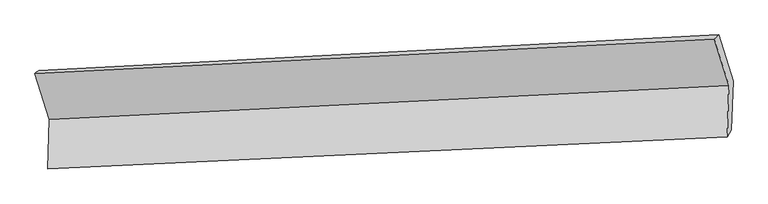
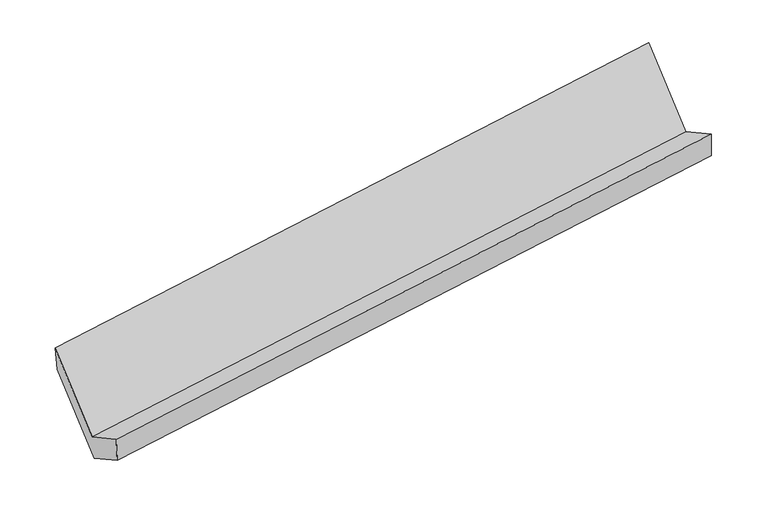
"""IFC4 building model written with IfcOpenShell, lengths in millimetres: proxy geometry."""

import ifcopenshell
import ifcopenshell.guid

model = None  # the IFC model being written
_history = None  # IfcOwnerHistory: only IFC2X3 demands one
_inside = {}  # id of a spatial element -> (the spatial element, [elements in it])
_under = {}  # id of a project, library or spatial element -> (it, [spatial elements below it])
_declared = {}  # id of a project -> (the project, [libraries it declares])
_typed = {}  # id of a type object -> (the type object, [elements of that type])
_made_of = {}  # id of a material, layer set ... -> (it, [elements and type objects made of it])


def new_model(schema):
    """Start an empty IFC model of exactly this schema.

    Asked for "IFC4X3", IfcOpenShell would pick the latest addendum, in which some entities
    have other attributes; the version numbers below select the first issue.
    IFC2X3 requires an IfcOwnerHistory on every rooted entity: one is made here for all.
    """
    global model, _history
    if schema == "IFC4X3":
        model = ifcopenshell.file(schema_version=(4, 3, 0, 0))
    else:
        model = ifcopenshell.file(schema=schema)
    _inside.clear()
    _under.clear()
    _declared.clear()
    _typed.clear()
    _made_of.clear()
    _history = None
    if model.schema == "IFC2X3":
        org = make("IfcOrganization", Name="unknown")
        user = make(
            "IfcPersonAndOrganization",
            ThePerson=make("IfcPerson", FamilyName="unknown"),
            TheOrganization=org,
        )
        app = make(
            "IfcApplication",
            ApplicationDeveloper=org,
            Version="unknown",
            ApplicationFullName="unknown",
            ApplicationIdentifier="unknown",
        )
        _history = make(
            "IfcOwnerHistory",
            OwningUser=user,
            OwningApplication=app,
            ChangeAction="ADDED",
            CreationDate=0,
        )
    return model


def make(cls, **values):
    """One entity of the class cls with the attributes given. An attribute that is None is left unset."""
    return model.create_entity(
        cls, **{name: value for name, value in values.items() if value is not None}
    )


def rooted(cls, **values):
    """An entity with a GlobalId (a new one), such as an element, a storey or a relation."""
    return make(cls, GlobalId=ifcopenshell.guid.new(), OwnerHistory=_history, **values)


def si_unit(unit_type, name, prefix=None):
    """IfcSIUnit, for example si_unit("LENGTHUNIT", "METRE", prefix="MILLI")."""
    return make("IfcSIUnit", UnitType=unit_type, Prefix=prefix, Name=name)


def assignment(units):
    """IfcUnitAssignment: the units of a project."""
    return None if units is None else make("IfcUnitAssignment", Units=units)


def point(xyz):
    """IfcCartesianPoint."""
    return None if xyz is None else make("IfcCartesianPoint", Coordinates=xyz)


def direction(xyz):
    """IfcDirection."""
    return None if xyz is None else make("IfcDirection", DirectionRatios=xyz)


def frame(location, z_axis=None, x_axis=None):
    """IfcAxis2Placement3D, a coordinate frame: its origin and axes. An axis left out is left unset."""
    return make(
        "IfcAxis2Placement3D",
        Location=point(location),
        Axis=direction(z_axis),
        RefDirection=direction(x_axis),
    )


def origin():
    """The frame at (0, 0, 0) with its axes left unset."""
    return frame((0.0, 0.0, 0.0))


def place(relative_to, where):
    """IfcLocalPlacement: puts the frame where relative to a parent placement (None: the world)."""
    return make(
        "IfcLocalPlacement", PlacementRelTo=relative_to, RelativePlacement=where
    )


def context(
    kind, dimensions, precision=None, world=None, true_north=None, identifier=None
):
    """IfcGeometricRepresentationContext, for example the 3D "Model" context."""
    return make(
        "IfcGeometricRepresentationContext",
        ContextIdentifier=identifier,
        ContextType=kind,
        CoordinateSpaceDimension=dimensions,
        Precision=precision,
        WorldCoordinateSystem=world,
        TrueNorth=true_north,
    )


def project(units=None, contexts=None):
    """IfcProject with its units and contexts."""
    return rooted(
        "IfcProject",
        Name="project",
        RepresentationContexts=contexts,
        UnitsInContext=assignment(units),
    )


def spatial(cls, under=None, at=None, **own):
    """A site, building, storey or space (cls), placed at a placement, below another one or the project."""
    s = rooted(cls, ObjectPlacement=at, **own)
    if under is not None:
        _under.setdefault(under.id(), (under, []))[1].append(s)
    return s


def shape(context_of_items, identifier, shape_type, items):
    """IfcShapeRepresentation: the items that make up one representation, for example the "Body"."""
    return make(
        "IfcShapeRepresentation",
        ContextOfItems=context_of_items,
        RepresentationIdentifier=identifier,
        RepresentationType=shape_type,
        Items=items,
    )


def source(mapping_origin, context_of_items, identifier, shape_type, items):
    """IfcRepresentationMap: a shape defined once, which mapped items show again and again."""
    return make(
        "IfcRepresentationMap",
        MappingOrigin=mapping_origin,
        MappedRepresentation=shape(context_of_items, identifier, shape_type, items),
    )


def transform(
    local_origin,
    x_axis=None,
    y_axis=None,
    z_axis=None,
    scale=None,
    scale2=None,
    scale3=None,
    uniform=True,
):
    """IfcCartesianTransformationOperator3D, or its non-uniform kind. x_axis, y_axis, z_axis: its Axis1, 2, 3."""
    if uniform:
        return make(
            "IfcCartesianTransformationOperator3D",
            Axis1=direction(x_axis),
            Axis2=direction(y_axis),
            LocalOrigin=point(local_origin),
            Scale=scale,
            Axis3=direction(z_axis),
        )
    return make(
        "IfcCartesianTransformationOperator3DnonUniform",
        Axis1=direction(x_axis),
        Axis2=direction(y_axis),
        LocalOrigin=point(local_origin),
        Scale=scale,
        Axis3=direction(z_axis),
        Scale2=scale2,
        Scale3=scale3,
    )


def mapped(mapping_source, mapping_target):
    """IfcMappedItem: shows the shape of a source again, moved by a transform."""
    return make(
        "IfcMappedItem", MappingSource=mapping_source, MappingTarget=mapping_target
    )


def made_of(thing, what):
    """Note that an element or type object is made of a material, layer set ...; save() writes the relation."""
    if what is not None:
        _made_of.setdefault(what.id(), (what, []))[1].append(thing)
    return thing


def element(
    cls,
    number,
    at=None,
    inside=None,
    cuts=None,
    type_object=None,
    material=None,
    context=None,
    identifier="Body",
    shape_type=None,
    held_by="IfcProductDefinitionShape",
    body=None,
    shapes=None,
    **own,
):
    """One element of the class cls, such as IfcWall. Its Tag is "e" and its number.

    at: its placement. inside: the storey or other place that contains it. cuts: it is an
    opening in that element (IfcRelVoidsElement). A single representation is given by context,
    identifier, shape_type and body (its items); several are given by shapes. held_by: the class
    of the entity that holds the representations. save() writes the other relations.
    """
    e = rooted(cls, Tag="e%d" % number, ObjectPlacement=at, **own)
    if body is not None:
        shapes = [shape(context, identifier, shape_type, body)]
    if shapes is not None:
        e.Representation = make(held_by, Representations=shapes)
    if inside is not None:
        _inside.setdefault(inside.id(), (inside, []))[1].append(e)
    if cuts is not None:
        rooted(
            "IfcRelVoidsElement", RelatingBuildingElement=cuts, RelatedOpeningElement=e
        )
    if type_object is not None:
        _typed.setdefault(type_object.id(), (type_object, []))[1].append(e)
    return made_of(e, material)


def aggregate(whole, parts):
    """IfcRelAggregates: a whole, such as a stair, and the parts it consists of."""
    return rooted("IfcRelAggregates", RelatingObject=whole, RelatedObjects=parts)


def save(model, path):
    """Write the relations noted so far, then the file.

    IfcRelAggregates (storeys below a building ...), IfcRelContainedInSpatialStructure (elements
    in a storey), IfcRelDefinesByType, IfcRelAssociatesMaterial and IfcRelDeclares: one each for
    every whole, place, type object, material and project.
    """
    for whole, parts in _under.values():
        aggregate(whole, parts)
    for where, things in _inside.values():
        rooted(
            "IfcRelContainedInSpatialStructure",
            RelatedElements=things,
            RelatingStructure=where,
        )
    for kind, things in _typed.values():
        rooted("IfcRelDefinesByType", RelatedObjects=things, RelatingType=kind)
    for what, things in _made_of.values():
        rooted("IfcRelAssociatesMaterial", RelatedObjects=things, RelatingMaterial=what)
    for by, libraries in _declared.values():
        rooted("IfcRelDeclares", RelatingContext=by, RelatedDefinitions=libraries)
    model.write(path)


def plane_surface(at):
    """IfcPlane: the flat surface through the origin of the frame at, square to its z axis."""
    return make("IfcPlane", Position=at)


def spline_surface(u_degree, v_degree, points, u_multiplicities, v_multiplicities, u_knots, v_knots, weights=None):
    """IfcBSplineSurfaceWithKnots; with weights, IfcRationalBSplineSurfaceWithKnots. points: one row for each step in u."""
    own = dict(
        UDegree=u_degree,
        VDegree=v_degree,
        ControlPointsList=[[point(p) for p in row] for row in points],
        SurfaceForm="UNSPECIFIED",
        UClosed=False,
        VClosed=False,
        SelfIntersect=False,
        UMultiplicities=u_multiplicities,
        VMultiplicities=v_multiplicities,
        UKnots=u_knots,
        VKnots=v_knots,
        KnotSpec="UNSPECIFIED",
    )
    if weights is None:
        return make("IfcBSplineSurfaceWithKnots", **own)
    return make("IfcRationalBSplineSurfaceWithKnots", WeightsData=weights, **own)


def advanced_brep(points, edges, surfaces, faces):
    """IfcAdvancedBrep: a solid bounded by faces that lie on surfaces and meet in shared edges.

    An edge is (start, end): straight between two places in points (the first is 0);
    or (start, end, curve); or (start, end, curve, False) where it runs against its curve.
    A face is (place in surfaces, loops), or (place, loops, False) where it looks against
    its surface's normal. A loop lists edges by number (the first is 1), with a minus sign
    where the edge is run from its end to its start. The first loop is the outer one.
    """
    corners = [point(p) for p in points]
    vertices = [make("IfcVertexPoint", VertexGeometry=c) for c in corners]
    made = []
    for start, end, *more in edges:
        made.append(
            make(
                "IfcEdgeCurve",
                EdgeStart=vertices[start],
                EdgeEnd=vertices[end],
                EdgeGeometry=more[0] if more else make("IfcPolyline", Points=[corners[start], corners[end]]),
                SameSense=more[1] if len(more) > 1 else True,
            )
        )
    hull = []
    for where, loops, *sense in faces:
        bounds = []
        for j, loop in enumerate(loops):
            ring = [make("IfcOrientedEdge", EdgeElement=made[abs(k) - 1], Orientation=k > 0) for k in loop]
            bounds.append(
                make(
                    "IfcFaceOuterBound" if j == 0 else "IfcFaceBound",
                    Bound=make("IfcEdgeLoop", EdgeList=ring),
                    Orientation=True,
                )
            )
        hull.append(make("IfcAdvancedFace", Bounds=bounds, FaceSurface=surfaces[where], SameSense=sense[0] if sense else True))
    return make("IfcAdvancedBrep", Outer=make("IfcClosedShell", CfsFaces=hull))


def generic_models_bafb2533(model_context):
    return source(origin(), model_context, "Body", "AdvancedBrep", [
        advanced_brep(
        [(-5188.6059615, -1630.7812897, 1429.7623113), (-5200.2813489, -1971.0640364, 1620.6712302), (-499.5655745, -1750.5844349, 2321.5897903), (-487.2919896, -1392.8670379, 2120.899505), (-5171.0654744, -1932.5746395, 1413.0301796), (-470.0506013, -1703.3777128, 2109.0580564), (-5159.9882846, -1609.726543, 1231.9026271), (-458.3752139, -1363.0949661, 1918.1491376), (-5260.6746005, -1289.2522214, 1796.9696304), (-559.0615299, -1042.6206444, 2483.2161409), (-5289.2922775, -1310.306968, 1994.8293146), (-587.9783056, -1072.3927162, 2685.9665083)],
        [
            (0, 1),
            (1, 2),
            (2, 3),
            (3, 0),
            (1, 4),
            (4, 5),
            (5, 2),
            (4, 6),
            (6, 7),
            (7, 5),
            (6, 8),
            (8, 9),
            (9, 7),
            (8, 10),
            (10, 11),
            (11, 9),
            (10, 0),
            (3, 11),
        ],
        [
            plane_surface(frame((-5194.4436552, -1800.9226631, 1525.2167708), z_axis=(-0.15108773263739064, 0.48760822779138585, 0.8598899425139456), x_axis=(-0.02990987609460264, -0.8717325140915008, 0.48906832159496605))),
            spline_surface(1, 1, [[(-5200.2813489, -1971.0640364, 1620.6712302), (-499.5655745, -1750.5844349, 2321.5897903)], [(-5171.0654744, -1932.5746395, 1413.0301796), (-470.0506013, -1703.3777128, 2109.0580564)]], [2, 2], [2, 2], [0.0, 1.0], [0.0, 1.0]),
            plane_surface(frame((-5165.5268795, -1771.1505913, 1322.4664033), z_axis=(0.1510877326373937, -0.48760822779138563, -0.859889942513945), x_axis=(0.029909876094602807, 0.8717325140915008, -0.48906832159496594))),
            plane_surface(frame((-5210.3314426, -1449.4893822, 1514.4361288), z_axis=(0.025757506260062485, 0.8715180039759196, -0.4896865524160248), x_axis=(-0.15316413749392455, 0.48750589982745973, 0.8595805631929803))),
            spline_surface(1, 1, [[(-5260.6746005, -1289.2522214, 1796.9696304), (-559.0615299, -1042.6206444, 2483.2161409)], [(-5289.2922775, -1310.306968, 1994.8293146), (-587.9783056, -1072.3927162, 2685.9665083)]], [2, 2], [2, 2], [0.0, 1.0], [0.0, 1.0]),
            plane_surface(frame((-5238.9491195, -1470.5441289, 1712.295813), z_axis=(-0.027833743484774895, -0.8716271838120583, 0.4893785193114675), x_axis=(0.15316413749391997, -0.4875058998274587, -0.8595805631929816))),
            plane_surface(frame((-510.3872025, -1387.4895854, 2273.1465231), z_axis=(0.9877480176126648, 0.04919777951426128, 0.14809939970545816), x_axis=(-0.13972511384437683, -0.14385788255322196, 0.9796845421810427))),
            plane_surface(frame((-5211.6513246, -1623.9509497, 1581.1942155), z_axis=(-0.9877480176126668, -0.0491977795142811, -0.14809939970543687), x_axis=(-0.15316413749391078, 0.4875058998274691, 0.8595805631929773))),
        ],
        [
            (0, [[1, 2, 3, 4]]),
            (1, [[5, 6, 7, -2]]),
            (2, [[8, 9, 10, -6]]),
            (3, [[11, 12, 13, -9]]),
            (4, [[14, 15, 16, -12]]),
            (5, [[17, -4, 18, -15]]),
            (6, [[-16, -18, -3, -7, -10, -13]]),
            (7, [[-17, -14, -11, -8, -5, -1]]),
        ],
    ),
    ])


if __name__ == "__main__":
    model = new_model("IFC4")
    model_context = context("Model", 3, world=origin())
    ifc_project = project(units=[si_unit("LENGTHUNIT", "METRE", prefix="MILLI")], contexts=[model_context])
    site = spatial("IfcSite", under=ifc_project)
    building = spatial("IfcBuilding", under=site)
    placement = place(None, origin())
    generic_models_shape = generic_models_bafb2533(model_context)
    element("IfcBuildingElementProxy", 1, Name="Generic Models", at=placement, inside=building, context=model_context, shape_type="MappedRepresentation", body=[
        mapped(generic_models_shape, transform((0.0, 0.0, 0.0), x_axis=(1.0, 0.0, 0.0), y_axis=(0.0, 1.0, 0.0), z_axis=(0.0, 0.0, 1.0))),
    ])
    save(model, "model.ifc")
